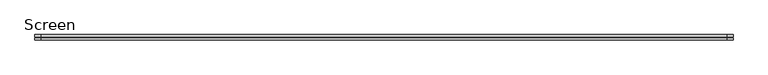
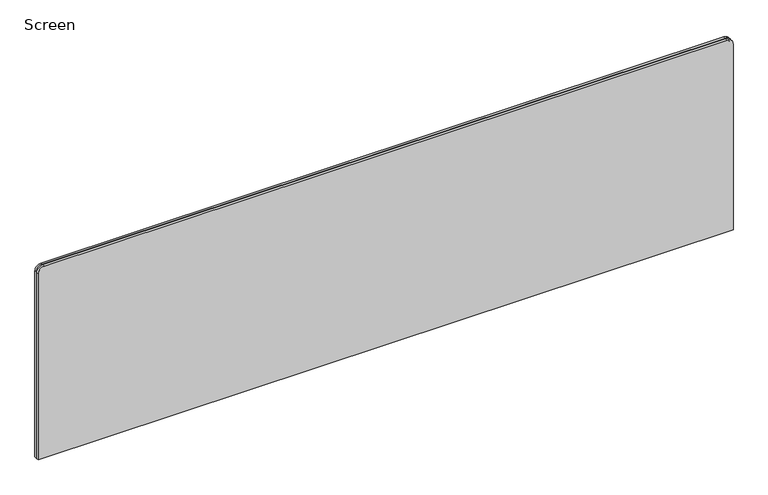
"""IFC4 building model written with IfcOpenShell, lengths in millimetres: furniture geometry, Screen."""

import ifcopenshell
import ifcopenshell.guid

model = None  # the IFC model being written
_history = None  # IfcOwnerHistory: only IFC2X3 demands one
_inside = {}  # id of a spatial element -> (the spatial element, [elements in it])
_under = {}  # id of a project, library or spatial element -> (it, [spatial elements below it])
_declared = {}  # id of a project -> (the project, [libraries it declares])
_typed = {}  # id of a type object -> (the type object, [elements of that type])
_made_of = {}  # id of a material, layer set ... -> (it, [elements and type objects made of it])


def new_model(schema):
    """Start an empty IFC model of exactly this schema.

    Asked for "IFC4X3", IfcOpenShell would pick the latest addendum, in which some entities
    have other attributes; the version numbers below select the first issue.
    IFC2X3 requires an IfcOwnerHistory on every rooted entity: one is made here for all.
    """
    global model, _history
    if schema == "IFC4X3":
        model = ifcopenshell.file(schema_version=(4, 3, 0, 0))
    else:
        model = ifcopenshell.file(schema=schema)
    _inside.clear()
    _under.clear()
    _declared.clear()
    _typed.clear()
    _made_of.clear()
    _history = None
    if model.schema == "IFC2X3":
        org = make("IfcOrganization", Name="unknown")
        user = make(
            "IfcPersonAndOrganization",
            ThePerson=make("IfcPerson", FamilyName="unknown"),
            TheOrganization=org,
        )
        app = make(
            "IfcApplication",
            ApplicationDeveloper=org,
            Version="unknown",
            ApplicationFullName="unknown",
            ApplicationIdentifier="unknown",
        )
        _history = make(
            "IfcOwnerHistory",
            OwningUser=user,
            OwningApplication=app,
            ChangeAction="ADDED",
            CreationDate=0,
        )
    return model


def make(cls, **values):
    """One entity of the class cls with the attributes given. An attribute that is None is left unset."""
    return model.create_entity(
        cls, **{name: value for name, value in values.items() if value is not None}
    )


def rooted(cls, **values):
    """An entity with a GlobalId (a new one), such as an element, a storey or a relation."""
    return make(cls, GlobalId=ifcopenshell.guid.new(), OwnerHistory=_history, **values)


def si_unit(unit_type, name, prefix=None):
    """IfcSIUnit, for example si_unit("LENGTHUNIT", "METRE", prefix="MILLI")."""
    return make("IfcSIUnit", UnitType=unit_type, Prefix=prefix, Name=name)


def assignment(units):
    """IfcUnitAssignment: the units of a project."""
    return None if units is None else make("IfcUnitAssignment", Units=units)


def point(xyz):
    """IfcCartesianPoint."""
    return None if xyz is None else make("IfcCartesianPoint", Coordinates=xyz)


def direction(xyz):
    """IfcDirection."""
    return None if xyz is None else make("IfcDirection", DirectionRatios=xyz)


def frame(location, z_axis=None, x_axis=None):
    """IfcAxis2Placement3D, a coordinate frame: its origin and axes. An axis left out is left unset."""
    return make(
        "IfcAxis2Placement3D",
        Location=point(location),
        Axis=direction(z_axis),
        RefDirection=direction(x_axis),
    )


def frame_2d(location, x_axis=None):
    """IfcAxis2Placement2D, a coordinate frame in the plane: its origin and x axis."""
    return make(
        "IfcAxis2Placement2D", Location=point(location), RefDirection=direction(x_axis)
    )


def origin():
    """The frame at (0, 0, 0) with its axes left unset."""
    return frame((0.0, 0.0, 0.0))


def place(relative_to, where):
    """IfcLocalPlacement: puts the frame where relative to a parent placement (None: the world)."""
    return make(
        "IfcLocalPlacement", PlacementRelTo=relative_to, RelativePlacement=where
    )


def context(
    kind, dimensions, precision=None, world=None, true_north=None, identifier=None
):
    """IfcGeometricRepresentationContext, for example the 3D "Model" context."""
    return make(
        "IfcGeometricRepresentationContext",
        ContextIdentifier=identifier,
        ContextType=kind,
        CoordinateSpaceDimension=dimensions,
        Precision=precision,
        WorldCoordinateSystem=world,
        TrueNorth=true_north,
    )


def project(units=None, contexts=None):
    """IfcProject with its units and contexts."""
    return rooted(
        "IfcProject",
        Name="project",
        RepresentationContexts=contexts,
        UnitsInContext=assignment(units),
    )


def spatial(cls, under=None, at=None, **own):
    """A site, building, storey or space (cls), placed at a placement, below another one or the project."""
    s = rooted(cls, ObjectPlacement=at, **own)
    if under is not None:
        _under.setdefault(under.id(), (under, []))[1].append(s)
    return s


def polyline(points):
    """IfcPolyline through the points."""
    return make("IfcPolyline", Points=[point(p) for p in points])


def circle_curve(where, radius):
    """IfcCircle in the frame where."""
    return make("IfcCircle", Position=where, Radius=radius)


def trimmed(basis, trim1, trim2, sense, master):
    """IfcTrimmedCurve: the piece of a basis curve between two trims."""
    return make(
        "IfcTrimmedCurve",
        BasisCurve=basis,
        Trim1=trim1,
        Trim2=trim2,
        SenseAgreement=sense,
        MasterRepresentation=master,
    )


def segment(curve, same_sense, transition):
    """IfcCompositeCurveSegment."""
    return make(
        "IfcCompositeCurveSegment",
        Transition=transition,
        SameSense=same_sense,
        ParentCurve=curve,
    )


def composite_curve(segments, self_intersect=None):
    """IfcCompositeCurve: segments joined end to end."""
    return make("IfcCompositeCurve", Segments=segments, SelfIntersect=self_intersect)


def outline(outer, holes=None, kind="AREA"):
    """IfcArbitraryClosedProfileDef: a profile drawn as a closed curve; with holes, ...WithVoids."""
    if holes is None:
        return make("IfcArbitraryClosedProfileDef", ProfileType=kind, OuterCurve=outer)
    return make(
        "IfcArbitraryProfileDefWithVoids",
        ProfileType=kind,
        OuterCurve=outer,
        InnerCurves=holes,
    )


def extrude(swept, where, along, depth):
    """IfcExtrudedAreaSolid: the profile swept, set in the frame where, extruded along a direction by depth."""
    return make(
        "IfcExtrudedAreaSolid",
        SweptArea=swept,
        Position=where,
        ExtrudedDirection=direction(along),
        Depth=depth,
    )


def shape(context_of_items, identifier, shape_type, items):
    """IfcShapeRepresentation: the items that make up one representation, for example the "Body"."""
    return make(
        "IfcShapeRepresentation",
        ContextOfItems=context_of_items,
        RepresentationIdentifier=identifier,
        RepresentationType=shape_type,
        Items=items,
    )


def source(mapping_origin, context_of_items, identifier, shape_type, items):
    """IfcRepresentationMap: a shape defined once, which mapped items show again and again."""
    return make(
        "IfcRepresentationMap",
        MappingOrigin=mapping_origin,
        MappedRepresentation=shape(context_of_items, identifier, shape_type, items),
    )


def transform(
    local_origin,
    x_axis=None,
    y_axis=None,
    z_axis=None,
    scale=None,
    scale2=None,
    scale3=None,
    uniform=True,
):
    """IfcCartesianTransformationOperator3D, or its non-uniform kind. x_axis, y_axis, z_axis: its Axis1, 2, 3."""
    if uniform:
        return make(
            "IfcCartesianTransformationOperator3D",
            Axis1=direction(x_axis),
            Axis2=direction(y_axis),
            LocalOrigin=point(local_origin),
            Scale=scale,
            Axis3=direction(z_axis),
        )
    return make(
        "IfcCartesianTransformationOperator3DnonUniform",
        Axis1=direction(x_axis),
        Axis2=direction(y_axis),
        LocalOrigin=point(local_origin),
        Scale=scale,
        Axis3=direction(z_axis),
        Scale2=scale2,
        Scale3=scale3,
    )


def mapped(mapping_source, mapping_target):
    """IfcMappedItem: shows the shape of a source again, moved by a transform."""
    return make(
        "IfcMappedItem", MappingSource=mapping_source, MappingTarget=mapping_target
    )


def made_of(thing, what):
    """Note that an element or type object is made of a material, layer set ...; save() writes the relation."""
    if what is not None:
        _made_of.setdefault(what.id(), (what, []))[1].append(thing)
    return thing


def element(
    cls,
    number,
    at=None,
    inside=None,
    cuts=None,
    type_object=None,
    material=None,
    context=None,
    identifier="Body",
    shape_type=None,
    held_by="IfcProductDefinitionShape",
    body=None,
    shapes=None,
    **own,
):
    """One element of the class cls, such as IfcWall. Its Tag is "e" and its number.

    at: its placement. inside: the storey or other place that contains it. cuts: it is an
    opening in that element (IfcRelVoidsElement). A single representation is given by context,
    identifier, shape_type and body (its items); several are given by shapes. held_by: the class
    of the entity that holds the representations. save() writes the other relations.
    """
    e = rooted(cls, Tag="e%d" % number, ObjectPlacement=at, **own)
    if body is not None:
        shapes = [shape(context, identifier, shape_type, body)]
    if shapes is not None:
        e.Representation = make(held_by, Representations=shapes)
    if inside is not None:
        _inside.setdefault(inside.id(), (inside, []))[1].append(e)
    if cuts is not None:
        rooted(
            "IfcRelVoidsElement", RelatingBuildingElement=cuts, RelatedOpeningElement=e
        )
    if type_object is not None:
        _typed.setdefault(type_object.id(), (type_object, []))[1].append(e)
    return made_of(e, material)


def aggregate(whole, parts):
    """IfcRelAggregates: a whole, such as a stair, and the parts it consists of."""
    return rooted("IfcRelAggregates", RelatingObject=whole, RelatedObjects=parts)


def save(model, path):
    """Write the relations noted so far, then the file.

    IfcRelAggregates (storeys below a building ...), IfcRelContainedInSpatialStructure (elements
    in a storey), IfcRelDefinesByType, IfcRelAssociatesMaterial and IfcRelDeclares: one each for
    every whole, place, type object, material and project.
    """
    for whole, parts in _under.values():
        aggregate(whole, parts)
    for where, things in _inside.values():
        rooted(
            "IfcRelContainedInSpatialStructure",
            RelatedElements=things,
            RelatingStructure=where,
        )
    for kind, things in _typed.values():
        rooted("IfcRelDefinesByType", RelatedObjects=things, RelatingType=kind)
    for what, things in _made_of.values():
        rooted("IfcRelAssociatesMaterial", RelatedObjects=things, RelatingMaterial=what)
    for by, libraries in _declared.values():
        rooted("IfcRelDeclares", RelatingContext=by, RelatedDefinitions=libraries)
    model.write(path)


def screen_bb3f6f67(model_context):
    return source(origin(), model_context, "Body", "SweptSolid", [
        extrude(outline(composite_curve([segment(polyline([(530.225, 1111.25), (530.225, -679.45)]), True, "CONTINUOUS"), segment(trimmed(circle_curve(frame_2d((514.35, -679.45)), 15.875), [point((530.225, -679.45))], [point((514.35, -695.325))], False, "CARTESIAN"), True, "CONTINUOUS"), segment(polyline([(514.35, -695.325), (3.175, -695.325), (3.175, 1127.125), (514.35, 1127.125)]), True, "CONTINUOUS"), segment(trimmed(circle_curve(frame_2d((514.35, 1111.25)), 15.875), [point((514.35, 1127.125))], [point((530.225, 1111.25))], False, "CARTESIAN"), True, "CONTINUOUS")], self_intersect=False)), frame((0.0, 198.1659766, 0.0), z_axis=(0.0, 1.0, 0.0), x_axis=(0.0, 0.0, 1.0)), (0.0, 0.0, 1.0), 3.175),
        extrude(outline(composite_curve([segment(polyline([(533.4, 1114.425), (533.4, -682.625)]), True, "CONTINUOUS"), segment(trimmed(circle_curve(frame_2d((517.525, -682.625)), 15.875), [point((533.4, -682.625))], [point((517.525, -698.5))], False, "CARTESIAN"), True, "CONTINUOUS"), segment(polyline([(517.525, -698.5), (0.0, -698.5), (0.0, 1130.3), (517.525, 1130.3)]), True, "CONTINUOUS"), segment(trimmed(circle_curve(frame_2d((517.525, 1114.425)), 15.875), [point((517.525, 1130.3))], [point((533.4, 1114.425))], False, "CARTESIAN"), True, "CONTINUOUS")], self_intersect=False)), frame((0.0, 192.6097266, 0.0), z_axis=(0.0, 1.0, 0.0), x_axis=(0.0, 0.0, 1.0)), (0.0, 0.0, 1.0), 5.55625),
        extrude(outline(composite_curve([segment(polyline([(533.4, 1114.425), (533.4, -682.625)]), True, "CONTINUOUS"), segment(trimmed(circle_curve(frame_2d((517.525, -682.625)), 15.875), [point((533.4, -682.625))], [point((517.525, -698.5))], False, "CARTESIAN"), True, "CONTINUOUS"), segment(polyline([(517.525, -698.5), (0.0, -698.5), (0.0, 1130.3), (517.525, 1130.3)]), True, "CONTINUOUS"), segment(trimmed(circle_curve(frame_2d((517.525, 1114.425)), 15.875), [point((517.525, 1130.3))], [point((533.4, 1114.425))], False, "CARTESIAN"), True, "CONTINUOUS")], self_intersect=False)), frame((0.0, 201.3409766, 0.0), z_axis=(0.0, 1.0, 0.0), x_axis=(0.0, 0.0, 1.0)), (0.0, 0.0, 1.0), 5.55625),
    ])


if __name__ == "__main__":
    model = new_model("IFC4")
    model_context = context("Model", 3, world=origin())
    ifc_project = project(units=[si_unit("LENGTHUNIT", "METRE", prefix="MILLI")], contexts=[model_context])
    site = spatial("IfcSite", under=ifc_project)
    building = spatial("IfcBuilding", under=site)
    placement = place(None, origin())
    screen_shape = screen_bb3f6f67(model_context)
    element("IfcFurniture", 1, ObjectType="Screen", at=placement, inside=building, context=model_context, shape_type="MappedRepresentation", body=[
        mapped(screen_shape, transform((0.0, 0.0, 0.0), x_axis=(1.0, 0.0, 0.0), y_axis=(0.0, 1.0, 0.0), z_axis=(0.0, 0.0, 1.0))),
    ])
    save(model, "model.ifc")
